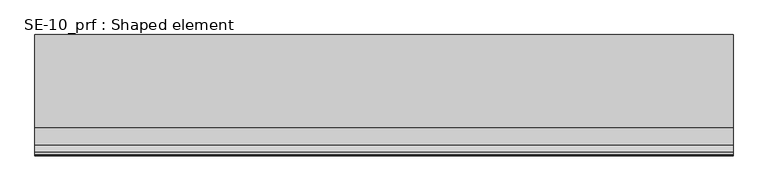
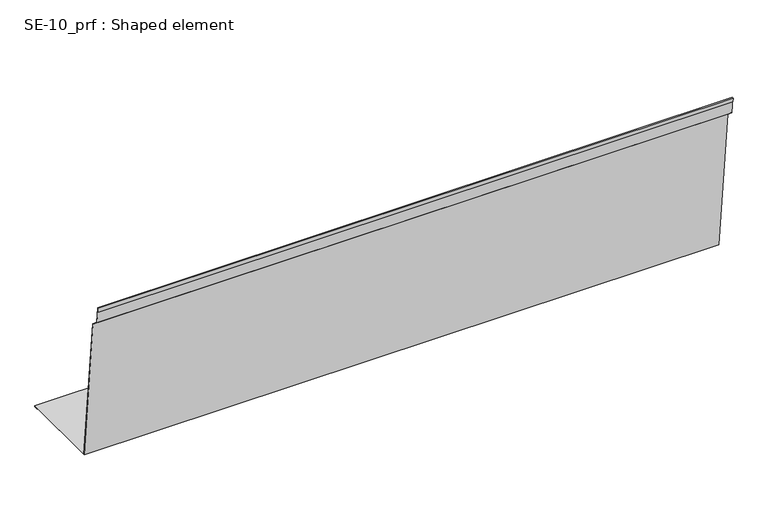
"""IFC4 building model written with IfcOpenShell, lengths in millimetres: proxy geometry, SE-10_prf : Shaped element."""

import ifcopenshell
import ifcopenshell.guid

model = None  # the IFC model being written
_history = None  # IfcOwnerHistory: only IFC2X3 demands one
_inside = {}  # id of a spatial element -> (the spatial element, [elements in it])
_under = {}  # id of a project, library or spatial element -> (it, [spatial elements below it])
_declared = {}  # id of a project -> (the project, [libraries it declares])
_typed = {}  # id of a type object -> (the type object, [elements of that type])
_made_of = {}  # id of a material, layer set ... -> (it, [elements and type objects made of it])


def new_model(schema):
    """Start an empty IFC model of exactly this schema.

    Asked for "IFC4X3", IfcOpenShell would pick the latest addendum, in which some entities
    have other attributes; the version numbers below select the first issue.
    IFC2X3 requires an IfcOwnerHistory on every rooted entity: one is made here for all.
    """
    global model, _history
    if schema == "IFC4X3":
        model = ifcopenshell.file(schema_version=(4, 3, 0, 0))
    else:
        model = ifcopenshell.file(schema=schema)
    _inside.clear()
    _under.clear()
    _declared.clear()
    _typed.clear()
    _made_of.clear()
    _history = None
    if model.schema == "IFC2X3":
        org = make("IfcOrganization", Name="unknown")
        user = make(
            "IfcPersonAndOrganization",
            ThePerson=make("IfcPerson", FamilyName="unknown"),
            TheOrganization=org,
        )
        app = make(
            "IfcApplication",
            ApplicationDeveloper=org,
            Version="unknown",
            ApplicationFullName="unknown",
            ApplicationIdentifier="unknown",
        )
        _history = make(
            "IfcOwnerHistory",
            OwningUser=user,
            OwningApplication=app,
            ChangeAction="ADDED",
            CreationDate=0,
        )
    return model


def make(cls, **values):
    """One entity of the class cls with the attributes given. An attribute that is None is left unset."""
    return model.create_entity(
        cls, **{name: value for name, value in values.items() if value is not None}
    )


def rooted(cls, **values):
    """An entity with a GlobalId (a new one), such as an element, a storey or a relation."""
    return make(cls, GlobalId=ifcopenshell.guid.new(), OwnerHistory=_history, **values)


def si_unit(unit_type, name, prefix=None):
    """IfcSIUnit, for example si_unit("LENGTHUNIT", "METRE", prefix="MILLI")."""
    return make("IfcSIUnit", UnitType=unit_type, Prefix=prefix, Name=name)


def assignment(units):
    """IfcUnitAssignment: the units of a project."""
    return None if units is None else make("IfcUnitAssignment", Units=units)


def point(xyz):
    """IfcCartesianPoint."""
    return None if xyz is None else make("IfcCartesianPoint", Coordinates=xyz)


def direction(xyz):
    """IfcDirection."""
    return None if xyz is None else make("IfcDirection", DirectionRatios=xyz)


def frame(location, z_axis=None, x_axis=None):
    """IfcAxis2Placement3D, a coordinate frame: its origin and axes. An axis left out is left unset."""
    return make(
        "IfcAxis2Placement3D",
        Location=point(location),
        Axis=direction(z_axis),
        RefDirection=direction(x_axis),
    )


def origin():
    """The frame at (0, 0, 0) with its axes left unset."""
    return frame((0.0, 0.0, 0.0))


def place(relative_to, where):
    """IfcLocalPlacement: puts the frame where relative to a parent placement (None: the world)."""
    return make(
        "IfcLocalPlacement", PlacementRelTo=relative_to, RelativePlacement=where
    )


def context(
    kind, dimensions, precision=None, world=None, true_north=None, identifier=None
):
    """IfcGeometricRepresentationContext, for example the 3D "Model" context."""
    return make(
        "IfcGeometricRepresentationContext",
        ContextIdentifier=identifier,
        ContextType=kind,
        CoordinateSpaceDimension=dimensions,
        Precision=precision,
        WorldCoordinateSystem=world,
        TrueNorth=true_north,
    )


def project(units=None, contexts=None):
    """IfcProject with its units and contexts."""
    return rooted(
        "IfcProject",
        Name="project",
        RepresentationContexts=contexts,
        UnitsInContext=assignment(units),
    )


def spatial(cls, under=None, at=None, **own):
    """A site, building, storey or space (cls), placed at a placement, below another one or the project."""
    s = rooted(cls, ObjectPlacement=at, **own)
    if under is not None:
        _under.setdefault(under.id(), (under, []))[1].append(s)
    return s


def polyline(points):
    """IfcPolyline through the points."""
    return make("IfcPolyline", Points=[point(p) for p in points])


def outline(outer, holes=None, kind="AREA"):
    """IfcArbitraryClosedProfileDef: a profile drawn as a closed curve; with holes, ...WithVoids."""
    if holes is None:
        return make("IfcArbitraryClosedProfileDef", ProfileType=kind, OuterCurve=outer)
    return make(
        "IfcArbitraryProfileDefWithVoids",
        ProfileType=kind,
        OuterCurve=outer,
        InnerCurves=holes,
    )


def extrude(swept, where, along, depth):
    """IfcExtrudedAreaSolid: the profile swept, set in the frame where, extruded along a direction by depth."""
    return make(
        "IfcExtrudedAreaSolid",
        SweptArea=swept,
        Position=where,
        ExtrudedDirection=direction(along),
        Depth=depth,
    )


def shape(context_of_items, identifier, shape_type, items):
    """IfcShapeRepresentation: the items that make up one representation, for example the "Body"."""
    return make(
        "IfcShapeRepresentation",
        ContextOfItems=context_of_items,
        RepresentationIdentifier=identifier,
        RepresentationType=shape_type,
        Items=items,
    )


def source(mapping_origin, context_of_items, identifier, shape_type, items):
    """IfcRepresentationMap: a shape defined once, which mapped items show again and again."""
    return make(
        "IfcRepresentationMap",
        MappingOrigin=mapping_origin,
        MappedRepresentation=shape(context_of_items, identifier, shape_type, items),
    )


def transform(
    local_origin,
    x_axis=None,
    y_axis=None,
    z_axis=None,
    scale=None,
    scale2=None,
    scale3=None,
    uniform=True,
):
    """IfcCartesianTransformationOperator3D, or its non-uniform kind. x_axis, y_axis, z_axis: its Axis1, 2, 3."""
    if uniform:
        return make(
            "IfcCartesianTransformationOperator3D",
            Axis1=direction(x_axis),
            Axis2=direction(y_axis),
            LocalOrigin=point(local_origin),
            Scale=scale,
            Axis3=direction(z_axis),
        )
    return make(
        "IfcCartesianTransformationOperator3DnonUniform",
        Axis1=direction(x_axis),
        Axis2=direction(y_axis),
        LocalOrigin=point(local_origin),
        Scale=scale,
        Axis3=direction(z_axis),
        Scale2=scale2,
        Scale3=scale3,
    )


def mapped(mapping_source, mapping_target):
    """IfcMappedItem: shows the shape of a source again, moved by a transform."""
    return make(
        "IfcMappedItem", MappingSource=mapping_source, MappingTarget=mapping_target
    )


def made_of(thing, what):
    """Note that an element or type object is made of a material, layer set ...; save() writes the relation."""
    if what is not None:
        _made_of.setdefault(what.id(), (what, []))[1].append(thing)
    return thing


def element(
    cls,
    number,
    at=None,
    inside=None,
    cuts=None,
    type_object=None,
    material=None,
    context=None,
    identifier="Body",
    shape_type=None,
    held_by="IfcProductDefinitionShape",
    body=None,
    shapes=None,
    **own,
):
    """One element of the class cls, such as IfcWall. Its Tag is "e" and its number.

    at: its placement. inside: the storey or other place that contains it. cuts: it is an
    opening in that element (IfcRelVoidsElement). A single representation is given by context,
    identifier, shape_type and body (its items); several are given by shapes. held_by: the class
    of the entity that holds the representations. save() writes the other relations.
    """
    e = rooted(cls, Tag="e%d" % number, ObjectPlacement=at, **own)
    if body is not None:
        shapes = [shape(context, identifier, shape_type, body)]
    if shapes is not None:
        e.Representation = make(held_by, Representations=shapes)
    if inside is not None:
        _inside.setdefault(inside.id(), (inside, []))[1].append(e)
    if cuts is not None:
        rooted(
            "IfcRelVoidsElement", RelatingBuildingElement=cuts, RelatedOpeningElement=e
        )
    if type_object is not None:
        _typed.setdefault(type_object.id(), (type_object, []))[1].append(e)
    return made_of(e, material)


def aggregate(whole, parts):
    """IfcRelAggregates: a whole, such as a stair, and the parts it consists of."""
    return rooted("IfcRelAggregates", RelatingObject=whole, RelatedObjects=parts)


def save(model, path):
    """Write the relations noted so far, then the file.

    IfcRelAggregates (storeys below a building ...), IfcRelContainedInSpatialStructure (elements
    in a storey), IfcRelDefinesByType, IfcRelAssociatesMaterial and IfcRelDeclares: one each for
    every whole, place, type object, material and project.
    """
    for whole, parts in _under.values():
        aggregate(whole, parts)
    for where, things in _inside.values():
        rooted(
            "IfcRelContainedInSpatialStructure",
            RelatedElements=things,
            RelatingStructure=where,
        )
    for kind, things in _typed.values():
        rooted("IfcRelDefinesByType", RelatedObjects=things, RelatingType=kind)
    for what, things in _made_of.values():
        rooted("IfcRelAssociatesMaterial", RelatedObjects=things, RelatingMaterial=what)
    for by, libraries in _declared.values():
        rooted("IfcRelDeclares", RelatingContext=by, RelatedDefinitions=libraries)
    model.write(path)


def se_10_prf_shaped_element_523dfbb8(model_context):
    return source(origin(), model_context, "Body", "SweptSolid", [
        extrude(outline(polyline([(220.1181768, 5.0), (220.1181768, 2.0), (210.1181768, 2.0), (210.1181768, 3.0), (219.1181768, 3.0), (219.1181768, 4.0), (18.9900266, 4.0), (-17.6388111, 352.5268298), (-33.9665692, 365.7324829), (-38.1101278, 404.9282882), (-39.1045865, 404.8231596), (-38.1584296, 395.8730318), (-39.1528883, 395.7679033), (-40.2041737, 405.7124897), (-37.2207977, 406.0278753), (-33.0156562, 366.2495297), (-16.6876196, 353.0436514), (19.8904379, 5.0), (220.1181768, 5.0)])), frame((0.0, 0.0, 0.0), z_axis=(1.0, 0.0, 0.0), x_axis=(0.0, 1.0, 0.0)), (0.0, 0.0, 1.0), 1500.0),
    ])


if __name__ == "__main__":
    model = new_model("IFC4")
    model_context = context("Model", 3, world=origin())
    ifc_project = project(units=[si_unit("LENGTHUNIT", "METRE", prefix="MILLI")], contexts=[model_context])
    site = spatial("IfcSite", under=ifc_project)
    building = spatial("IfcBuilding", under=site)
    placement = place(None, origin())
    se_10_prf_shaped_element_shape = se_10_prf_shaped_element_523dfbb8(model_context)
    element("IfcBuildingElementProxy", 1, Name="SE-10_prf : Shaped element", ObjectType="SE-10_prf : Shaped element", at=placement, inside=building, context=model_context, shape_type="MappedRepresentation", body=[
        mapped(se_10_prf_shaped_element_shape, transform((0.0, 0.0, 0.0), x_axis=(1.0, 0.0, 0.0), y_axis=(0.0, 1.0, 0.0), z_axis=(0.0, 0.0, 1.0))),
    ])
    save(model, "model.ifc")
